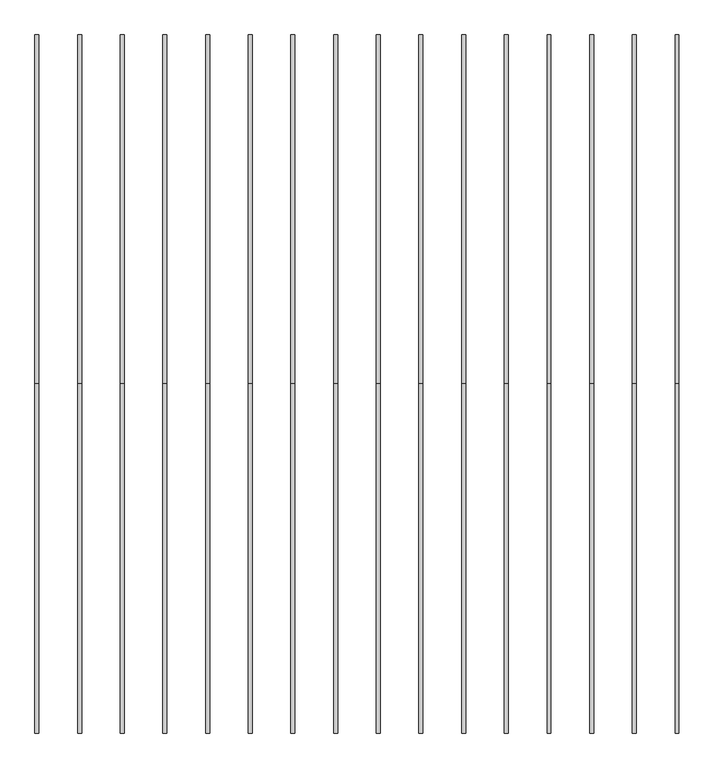
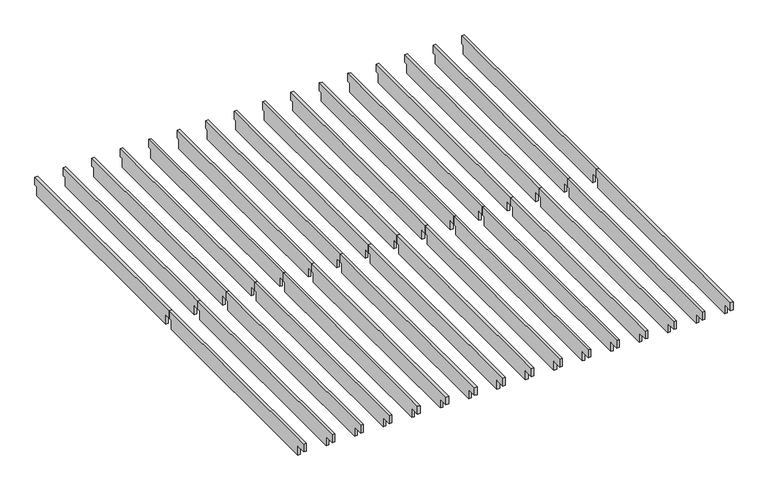
"""IFC4 building model written with IfcOpenShell, lengths in millimetres: furniture geometry."""

import ifcopenshell
import ifcopenshell.guid

model = None  # the IFC model being written
_history = None  # IfcOwnerHistory: only IFC2X3 demands one
_inside = {}  # id of a spatial element -> (the spatial element, [elements in it])
_under = {}  # id of a project, library or spatial element -> (it, [spatial elements below it])
_declared = {}  # id of a project -> (the project, [libraries it declares])
_typed = {}  # id of a type object -> (the type object, [elements of that type])
_made_of = {}  # id of a material, layer set ... -> (it, [elements and type objects made of it])


def new_model(schema):
    """Start an empty IFC model of exactly this schema.

    Asked for "IFC4X3", IfcOpenShell would pick the latest addendum, in which some entities
    have other attributes; the version numbers below select the first issue.
    IFC2X3 requires an IfcOwnerHistory on every rooted entity: one is made here for all.
    """
    global model, _history
    if schema == "IFC4X3":
        model = ifcopenshell.file(schema_version=(4, 3, 0, 0))
    else:
        model = ifcopenshell.file(schema=schema)
    _inside.clear()
    _under.clear()
    _declared.clear()
    _typed.clear()
    _made_of.clear()
    _history = None
    if model.schema == "IFC2X3":
        org = make("IfcOrganization", Name="unknown")
        user = make(
            "IfcPersonAndOrganization",
            ThePerson=make("IfcPerson", FamilyName="unknown"),
            TheOrganization=org,
        )
        app = make(
            "IfcApplication",
            ApplicationDeveloper=org,
            Version="unknown",
            ApplicationFullName="unknown",
            ApplicationIdentifier="unknown",
        )
        _history = make(
            "IfcOwnerHistory",
            OwningUser=user,
            OwningApplication=app,
            ChangeAction="ADDED",
            CreationDate=0,
        )
    return model


def make(cls, **values):
    """One entity of the class cls with the attributes given. An attribute that is None is left unset."""
    return model.create_entity(
        cls, **{name: value for name, value in values.items() if value is not None}
    )


def rooted(cls, **values):
    """An entity with a GlobalId (a new one), such as an element, a storey or a relation."""
    return make(cls, GlobalId=ifcopenshell.guid.new(), OwnerHistory=_history, **values)


def si_unit(unit_type, name, prefix=None):
    """IfcSIUnit, for example si_unit("LENGTHUNIT", "METRE", prefix="MILLI")."""
    return make("IfcSIUnit", UnitType=unit_type, Prefix=prefix, Name=name)


def assignment(units):
    """IfcUnitAssignment: the units of a project."""
    return None if units is None else make("IfcUnitAssignment", Units=units)


def point(xyz):
    """IfcCartesianPoint."""
    return None if xyz is None else make("IfcCartesianPoint", Coordinates=xyz)


def direction(xyz):
    """IfcDirection."""
    return None if xyz is None else make("IfcDirection", DirectionRatios=xyz)


def frame(location, z_axis=None, x_axis=None):
    """IfcAxis2Placement3D, a coordinate frame: its origin and axes. An axis left out is left unset."""
    return make(
        "IfcAxis2Placement3D",
        Location=point(location),
        Axis=direction(z_axis),
        RefDirection=direction(x_axis),
    )


def origin():
    """The frame at (0, 0, 0) with its axes left unset."""
    return frame((0.0, 0.0, 0.0))


def place(relative_to, where):
    """IfcLocalPlacement: puts the frame where relative to a parent placement (None: the world)."""
    return make(
        "IfcLocalPlacement", PlacementRelTo=relative_to, RelativePlacement=where
    )


def context(
    kind, dimensions, precision=None, world=None, true_north=None, identifier=None
):
    """IfcGeometricRepresentationContext, for example the 3D "Model" context."""
    return make(
        "IfcGeometricRepresentationContext",
        ContextIdentifier=identifier,
        ContextType=kind,
        CoordinateSpaceDimension=dimensions,
        Precision=precision,
        WorldCoordinateSystem=world,
        TrueNorth=true_north,
    )


def project(units=None, contexts=None):
    """IfcProject with its units and contexts."""
    return rooted(
        "IfcProject",
        Name="project",
        RepresentationContexts=contexts,
        UnitsInContext=assignment(units),
    )


def spatial(cls, under=None, at=None, **own):
    """A site, building, storey or space (cls), placed at a placement, below another one or the project."""
    s = rooted(cls, ObjectPlacement=at, **own)
    if under is not None:
        _under.setdefault(under.id(), (under, []))[1].append(s)
    return s


def polyline(points):
    """IfcPolyline through the points."""
    return make("IfcPolyline", Points=[point(p) for p in points])


def outline(outer, holes=None, kind="AREA"):
    """IfcArbitraryClosedProfileDef: a profile drawn as a closed curve; with holes, ...WithVoids."""
    if holes is None:
        return make("IfcArbitraryClosedProfileDef", ProfileType=kind, OuterCurve=outer)
    return make(
        "IfcArbitraryProfileDefWithVoids",
        ProfileType=kind,
        OuterCurve=outer,
        InnerCurves=holes,
    )


def extrude(swept, where, along, depth):
    """IfcExtrudedAreaSolid: the profile swept, set in the frame where, extruded along a direction by depth."""
    return make(
        "IfcExtrudedAreaSolid",
        SweptArea=swept,
        Position=where,
        ExtrudedDirection=direction(along),
        Depth=depth,
    )


def shape(context_of_items, identifier, shape_type, items):
    """IfcShapeRepresentation: the items that make up one representation, for example the "Body"."""
    return make(
        "IfcShapeRepresentation",
        ContextOfItems=context_of_items,
        RepresentationIdentifier=identifier,
        RepresentationType=shape_type,
        Items=items,
    )


def source(mapping_origin, context_of_items, identifier, shape_type, items):
    """IfcRepresentationMap: a shape defined once, which mapped items show again and again."""
    return make(
        "IfcRepresentationMap",
        MappingOrigin=mapping_origin,
        MappedRepresentation=shape(context_of_items, identifier, shape_type, items),
    )


def transform(
    local_origin,
    x_axis=None,
    y_axis=None,
    z_axis=None,
    scale=None,
    scale2=None,
    scale3=None,
    uniform=True,
):
    """IfcCartesianTransformationOperator3D, or its non-uniform kind. x_axis, y_axis, z_axis: its Axis1, 2, 3."""
    if uniform:
        return make(
            "IfcCartesianTransformationOperator3D",
            Axis1=direction(x_axis),
            Axis2=direction(y_axis),
            LocalOrigin=point(local_origin),
            Scale=scale,
            Axis3=direction(z_axis),
        )
    return make(
        "IfcCartesianTransformationOperator3DnonUniform",
        Axis1=direction(x_axis),
        Axis2=direction(y_axis),
        LocalOrigin=point(local_origin),
        Scale=scale,
        Axis3=direction(z_axis),
        Scale2=scale2,
        Scale3=scale3,
    )


def mapped(mapping_source, mapping_target):
    """IfcMappedItem: shows the shape of a source again, moved by a transform."""
    return make(
        "IfcMappedItem", MappingSource=mapping_source, MappingTarget=mapping_target
    )


def made_of(thing, what):
    """Note that an element or type object is made of a material, layer set ...; save() writes the relation."""
    if what is not None:
        _made_of.setdefault(what.id(), (what, []))[1].append(thing)
    return thing


def element(
    cls,
    number,
    at=None,
    inside=None,
    cuts=None,
    type_object=None,
    material=None,
    context=None,
    identifier="Body",
    shape_type=None,
    held_by="IfcProductDefinitionShape",
    body=None,
    shapes=None,
    **own,
):
    """One element of the class cls, such as IfcWall. Its Tag is "e" and its number.

    at: its placement. inside: the storey or other place that contains it. cuts: it is an
    opening in that element (IfcRelVoidsElement). A single representation is given by context,
    identifier, shape_type and body (its items); several are given by shapes. held_by: the class
    of the entity that holds the representations. save() writes the other relations.
    """
    e = rooted(cls, Tag="e%d" % number, ObjectPlacement=at, **own)
    if body is not None:
        shapes = [shape(context, identifier, shape_type, body)]
    if shapes is not None:
        e.Representation = make(held_by, Representations=shapes)
    if inside is not None:
        _inside.setdefault(inside.id(), (inside, []))[1].append(e)
    if cuts is not None:
        rooted(
            "IfcRelVoidsElement", RelatingBuildingElement=cuts, RelatedOpeningElement=e
        )
    if type_object is not None:
        _typed.setdefault(type_object.id(), (type_object, []))[1].append(e)
    return made_of(e, material)


def aggregate(whole, parts):
    """IfcRelAggregates: a whole, such as a stair, and the parts it consists of."""
    return rooted("IfcRelAggregates", RelatingObject=whole, RelatedObjects=parts)


def save(model, path):
    """Write the relations noted so far, then the file.

    IfcRelAggregates (storeys below a building ...), IfcRelContainedInSpatialStructure (elements
    in a storey), IfcRelDefinesByType, IfcRelAssociatesMaterial and IfcRelDeclares: one each for
    every whole, place, type object, material and project.
    """
    for whole, parts in _under.values():
        aggregate(whole, parts)
    for where, things in _inside.values():
        rooted(
            "IfcRelContainedInSpatialStructure",
            RelatedElements=things,
            RelatingStructure=where,
        )
    for kind, things in _typed.values():
        rooted("IfcRelDefinesByType", RelatedObjects=things, RelatingType=kind)
    for what, things in _made_of.values():
        rooted("IfcRelAssociatesMaterial", RelatedObjects=things, RelatingMaterial=what)
    for by, libraries in _declared.values():
        rooted("IfcRelDeclares", RelatingContext=by, RelatedDefinitions=libraries)
    model.write(path)


def furniture_0fea4276(model_context):
    return source(origin(), model_context, "Body", "SweptSolid", [
        extrude(outline(polyline([(-2493.2386, 2354.2752), (-2493.2386, 2265.3752), (-2526.2586, 2265.3752), (-2526.2586, 2163.7752), (-4877.6382, 2163.7752), (-4877.6382, 2265.3752), (-4986.4772, 2265.3752), (-4986.4772, 2354.2752), (-2493.2386, 2354.2752)])), frame((4558.0046, 0.0, 0.0), z_axis=(1.0, 0.0, 0.0), x_axis=(0.0, 1.0, 0.0)), (0.0, 0.0, 1.0), 27.9908),
        extrude(outline(polyline([(-2493.2386, 2354.2752), (0.0, 2354.2752), (0.0, 2265.3752), (-33.02, 2265.3752), (-33.02, 2163.7752), (-2430.1196, 2163.7752), (-2430.1196, 2265.3752), (-2493.2386, 2265.3752), (-2493.2386, 2354.2752)])), frame((4558.0046, 0.0, 0.0), z_axis=(1.0, 0.0, 0.0), x_axis=(0.0, 1.0, 0.0)), (0.0, 0.0, 1.0), 27.9908),
        extrude(outline(polyline([(-2493.2386, 2354.2752), (-2493.2386, 2265.3752), (-2526.2586, 2265.3752), (-2526.2586, 2163.7752), (-4877.6382, 2163.7752), (-4877.6382, 2265.3752), (-4986.4772, 2265.3752), (-4986.4772, 2354.2752), (-2493.2386, 2354.2752)])), frame((4253.2046, 0.0, 0.0), z_axis=(1.0, 0.0, 0.0), x_axis=(0.0, 1.0, 0.0)), (0.0, 0.0, 1.0), 27.9908),
        extrude(outline(polyline([(-2493.2386, 2354.2752), (0.0, 2354.2752), (0.0, 2265.3752), (-33.02, 2265.3752), (-33.02, 2163.7752), (-2430.1196, 2163.7752), (-2430.1196, 2265.3752), (-2493.2386, 2265.3752), (-2493.2386, 2354.2752)])), frame((4253.2046, 0.0, 0.0), z_axis=(1.0, 0.0, 0.0), x_axis=(0.0, 1.0, 0.0)), (0.0, 0.0, 1.0), 27.9908),
        extrude(outline(polyline([(-2493.2386, 2354.2752), (-2493.2386, 2265.3752), (-2526.2586, 2265.3752), (-2526.2586, 2163.7752), (-4877.6382, 2163.7752), (-4877.6382, 2265.3752), (-4986.4772, 2265.3752), (-4986.4772, 2354.2752), (-2493.2386, 2354.2752)])), frame((3948.4046, 0.0, 0.0), z_axis=(1.0, 0.0, 0.0), x_axis=(0.0, 1.0, 0.0)), (0.0, 0.0, 1.0), 27.9908),
        extrude(outline(polyline([(-2493.2386, 2354.2752), (0.0, 2354.2752), (0.0, 2265.3752), (-33.02, 2265.3752), (-33.02, 2163.7752), (-2430.1196, 2163.7752), (-2430.1196, 2265.3752), (-2493.2386, 2265.3752), (-2493.2386, 2354.2752)])), frame((3948.4046, 0.0, 0.0), z_axis=(1.0, 0.0, 0.0), x_axis=(0.0, 1.0, 0.0)), (0.0, 0.0, 1.0), 27.9908),
        extrude(outline(polyline([(-2493.2386, 2354.2752), (-2493.2386, 2265.3752), (-2526.2586, 2265.3752), (-2526.2586, 2163.7752), (-4877.6382, 2163.7752), (-4877.6382, 2265.3752), (-4986.4772, 2265.3752), (-4986.4772, 2354.2752), (-2493.2386, 2354.2752)])), frame((3643.6046, 0.0, 0.0), z_axis=(1.0, 0.0, 0.0), x_axis=(0.0, 1.0, 0.0)), (0.0, 0.0, 1.0), 27.9908),
        extrude(outline(polyline([(-2493.2386, 2354.2752), (0.0, 2354.2752), (0.0, 2265.3752), (-33.02, 2265.3752), (-33.02, 2163.7752), (-2430.1196, 2163.7752), (-2430.1196, 2265.3752), (-2493.2386, 2265.3752), (-2493.2386, 2354.2752)])), frame((3643.6046, 0.0, 0.0), z_axis=(1.0, 0.0, 0.0), x_axis=(0.0, 1.0, 0.0)), (0.0, 0.0, 1.0), 27.9908),
        extrude(outline(polyline([(-2493.2386, 2354.2752), (-2493.2386, 2265.3752), (-2526.2586, 2265.3752), (-2526.2586, 2163.7752), (-4877.6382, 2163.7752), (-4877.6382, 2265.3752), (-4986.4772, 2265.3752), (-4986.4772, 2354.2752), (-2493.2386, 2354.2752)])), frame((3338.8046, 0.0, 0.0), z_axis=(1.0, 0.0, 0.0), x_axis=(0.0, 1.0, 0.0)), (0.0, 0.0, 1.0), 27.9908),
        extrude(outline(polyline([(-2493.2386, 2354.2752), (0.0, 2354.2752), (0.0, 2265.3752), (-33.02, 2265.3752), (-33.02, 2163.7752), (-2430.1196, 2163.7752), (-2430.1196, 2265.3752), (-2493.2386, 2265.3752), (-2493.2386, 2354.2752)])), frame((3338.8046, 0.0, 0.0), z_axis=(1.0, 0.0, 0.0), x_axis=(0.0, 1.0, 0.0)), (0.0, 0.0, 1.0), 27.9908),
        extrude(outline(polyline([(-2493.2386, 2354.2752), (-2493.2386, 2265.3752), (-2526.2586, 2265.3752), (-2526.2586, 2163.7752), (-4877.6382, 2163.7752), (-4877.6382, 2265.3752), (-4986.4772, 2265.3752), (-4986.4772, 2354.2752), (-2493.2386, 2354.2752)])), frame((3034.0046, 0.0, 0.0), z_axis=(1.0, 0.0, 0.0), x_axis=(0.0, 1.0, 0.0)), (0.0, 0.0, 1.0), 27.9908),
        extrude(outline(polyline([(-2493.2386, 2354.2752), (0.0, 2354.2752), (0.0, 2265.3752), (-33.02, 2265.3752), (-33.02, 2163.7752), (-2430.1196, 2163.7752), (-2430.1196, 2265.3752), (-2493.2386, 2265.3752), (-2493.2386, 2354.2752)])), frame((3034.0046, 0.0, 0.0), z_axis=(1.0, 0.0, 0.0), x_axis=(0.0, 1.0, 0.0)), (0.0, 0.0, 1.0), 27.9908),
        extrude(outline(polyline([(-2493.2386, 2354.2752), (-2493.2386, 2265.3752), (-2526.2586, 2265.3752), (-2526.2586, 2163.7752), (-4877.6382, 2163.7752), (-4877.6382, 2265.3752), (-4986.4772, 2265.3752), (-4986.4772, 2354.2752), (-2493.2386, 2354.2752)])), frame((2729.2046, 0.0, 0.0), z_axis=(1.0, 0.0, 0.0), x_axis=(0.0, 1.0, 0.0)), (0.0, 0.0, 1.0), 27.9908),
        extrude(outline(polyline([(-2493.2386, 2354.2752), (0.0, 2354.2752), (0.0, 2265.3752), (-33.02, 2265.3752), (-33.02, 2163.7752), (-2430.1196, 2163.7752), (-2430.1196, 2265.3752), (-2493.2386, 2265.3752), (-2493.2386, 2354.2752)])), frame((2729.2046, 0.0, 0.0), z_axis=(1.0, 0.0, 0.0), x_axis=(0.0, 1.0, 0.0)), (0.0, 0.0, 1.0), 27.9908),
        extrude(outline(polyline([(-2493.2386, 2354.2752), (-2493.2386, 2265.3752), (-2526.2586, 2265.3752), (-2526.2586, 2163.7752), (-4877.6382, 2163.7752), (-4877.6382, 2265.3752), (-4986.4772, 2265.3752), (-4986.4772, 2354.2752), (-2493.2386, 2354.2752)])), frame((2424.4046, 0.0, 0.0), z_axis=(1.0, 0.0, 0.0), x_axis=(0.0, 1.0, 0.0)), (0.0, 0.0, 1.0), 27.9908),
        extrude(outline(polyline([(-2493.2386, 2354.2752), (0.0, 2354.2752), (0.0, 2265.3752), (-33.02, 2265.3752), (-33.02, 2163.7752), (-2430.1196, 2163.7752), (-2430.1196, 2265.3752), (-2493.2386, 2265.3752), (-2493.2386, 2354.2752)])), frame((2424.4046, 0.0, 0.0), z_axis=(1.0, 0.0, 0.0), x_axis=(0.0, 1.0, 0.0)), (0.0, 0.0, 1.0), 27.9908),
        extrude(outline(polyline([(-2493.2386, 2354.2752), (-2493.2386, 2265.3752), (-2526.2586, 2265.3752), (-2526.2586, 2163.7752), (-4877.6382, 2163.7752), (-4877.6382, 2265.3752), (-4986.4772, 2265.3752), (-4986.4772, 2354.2752), (-2493.2386, 2354.2752)])), frame((2119.6046, 0.0, 0.0), z_axis=(1.0, 0.0, 0.0), x_axis=(0.0, 1.0, 0.0)), (0.0, 0.0, 1.0), 27.9908),
        extrude(outline(polyline([(-2493.2386, 2354.2752), (0.0, 2354.2752), (0.0, 2265.3752), (-33.02, 2265.3752), (-33.02, 2163.7752), (-2430.1196, 2163.7752), (-2430.1196, 2265.3752), (-2493.2386, 2265.3752), (-2493.2386, 2354.2752)])), frame((2119.6046, 0.0, 0.0), z_axis=(1.0, 0.0, 0.0), x_axis=(0.0, 1.0, 0.0)), (0.0, 0.0, 1.0), 27.9908),
        extrude(outline(polyline([(-2493.2386, 2354.2752), (-2493.2386, 2265.3752), (-2526.2586, 2265.3752), (-2526.2586, 2163.7752), (-4877.6382, 2163.7752), (-4877.6382, 2265.3752), (-4986.4772, 2265.3752), (-4986.4772, 2354.2752), (-2493.2386, 2354.2752)])), frame((1814.8046, 0.0, 0.0), z_axis=(1.0, 0.0, 0.0), x_axis=(0.0, 1.0, 0.0)), (0.0, 0.0, 1.0), 27.9908),
        extrude(outline(polyline([(-2493.2386, 2354.2752), (0.0, 2354.2752), (0.0, 2265.3752), (-33.02, 2265.3752), (-33.02, 2163.7752), (-2430.1196, 2163.7752), (-2430.1196, 2265.3752), (-2493.2386, 2265.3752), (-2493.2386, 2354.2752)])), frame((1814.8046, 0.0, 0.0), z_axis=(1.0, 0.0, 0.0), x_axis=(0.0, 1.0, 0.0)), (0.0, 0.0, 1.0), 27.9908),
        extrude(outline(polyline([(-2493.2386, 2354.2752), (-2493.2386, 2265.3752), (-2526.2586, 2265.3752), (-2526.2586, 2163.7752), (-4877.6382, 2163.7752), (-4877.6382, 2265.3752), (-4986.4772, 2265.3752), (-4986.4772, 2354.2752), (-2493.2386, 2354.2752)])), frame((1510.0046, 0.0, 0.0), z_axis=(1.0, 0.0, 0.0), x_axis=(0.0, 1.0, 0.0)), (0.0, 0.0, 1.0), 27.9908),
        extrude(outline(polyline([(-2493.2386, 2354.2752), (0.0, 2354.2752), (0.0, 2265.3752), (-33.02, 2265.3752), (-33.02, 2163.7752), (-2430.1196, 2163.7752), (-2430.1196, 2265.3752), (-2493.2386, 2265.3752), (-2493.2386, 2354.2752)])), frame((1510.0046, 0.0, 0.0), z_axis=(1.0, 0.0, 0.0), x_axis=(0.0, 1.0, 0.0)), (0.0, 0.0, 1.0), 27.9908),
        extrude(outline(polyline([(-2493.2386, 2354.2752), (-2493.2386, 2265.3752), (-2526.2586, 2265.3752), (-2526.2586, 2163.7752), (-4877.6382, 2163.7752), (-4877.6382, 2265.3752), (-4986.4772, 2265.3752), (-4986.4772, 2354.2752), (-2493.2386, 2354.2752)])), frame((1205.2046, 0.0, 0.0), z_axis=(1.0, 0.0, 0.0), x_axis=(0.0, 1.0, 0.0)), (0.0, 0.0, 1.0), 27.9908),
        extrude(outline(polyline([(-2493.2386, 2354.2752), (0.0, 2354.2752), (0.0, 2265.3752), (-33.02, 2265.3752), (-33.02, 2163.7752), (-2430.1196, 2163.7752), (-2430.1196, 2265.3752), (-2493.2386, 2265.3752), (-2493.2386, 2354.2752)])), frame((1205.2046, 0.0, 0.0), z_axis=(1.0, 0.0, 0.0), x_axis=(0.0, 1.0, 0.0)), (0.0, 0.0, 1.0), 27.9908),
        extrude(outline(polyline([(-2493.2386, 2354.2752), (-2493.2386, 2265.3752), (-2526.2586, 2265.3752), (-2526.2586, 2163.7752), (-4877.6382, 2163.7752), (-4877.6382, 2265.3752), (-4986.4772, 2265.3752), (-4986.4772, 2354.2752), (-2493.2386, 2354.2752)])), frame((900.4046, 0.0, 0.0), z_axis=(1.0, 0.0, 0.0), x_axis=(0.0, 1.0, 0.0)), (0.0, 0.0, 1.0), 27.9908),
        extrude(outline(polyline([(-2493.2386, 2354.2752), (0.0, 2354.2752), (0.0, 2265.3752), (-33.02, 2265.3752), (-33.02, 2163.7752), (-2430.1196, 2163.7752), (-2430.1196, 2265.3752), (-2493.2386, 2265.3752), (-2493.2386, 2354.2752)])), frame((900.4046, 0.0, 0.0), z_axis=(1.0, 0.0, 0.0), x_axis=(0.0, 1.0, 0.0)), (0.0, 0.0, 1.0), 27.9908),
        extrude(outline(polyline([(-2493.2386, 2354.2752), (-2493.2386, 2265.3752), (-2526.2586, 2265.3752), (-2526.2586, 2163.7752), (-4877.6382, 2163.7752), (-4877.6382, 2265.3752), (-4986.4772, 2265.3752), (-4986.4772, 2354.2752), (-2493.2386, 2354.2752)])), frame((595.6046, 0.0, 0.0), z_axis=(1.0, 0.0, 0.0), x_axis=(0.0, 1.0, 0.0)), (0.0, 0.0, 1.0), 27.9908),
        extrude(outline(polyline([(-2493.2386, 2354.2752), (0.0, 2354.2752), (0.0, 2265.3752), (-33.02, 2265.3752), (-33.02, 2163.7752), (-2430.1196, 2163.7752), (-2430.1196, 2265.3752), (-2493.2386, 2265.3752), (-2493.2386, 2354.2752)])), frame((595.6046, 0.0, 0.0), z_axis=(1.0, 0.0, 0.0), x_axis=(0.0, 1.0, 0.0)), (0.0, 0.0, 1.0), 27.9908),
        extrude(outline(polyline([(-2493.2386, 2354.2752), (-2493.2386, 2265.3752), (-2526.2586, 2265.3752), (-2526.2586, 2163.7752), (-4877.6382, 2163.7752), (-4877.6382, 2265.3752), (-4986.4772, 2265.3752), (-4986.4772, 2354.2752), (-2493.2386, 2354.2752)])), frame((290.8046, 0.0, 0.0), z_axis=(1.0, 0.0, 0.0), x_axis=(0.0, 1.0, 0.0)), (0.0, 0.0, 1.0), 27.9908),
        extrude(outline(polyline([(-2493.2386, 2354.2752), (0.0, 2354.2752), (0.0, 2265.3752), (-33.02, 2265.3752), (-33.02, 2163.7752), (-2430.1196, 2163.7752), (-2430.1196, 2265.3752), (-2493.2386, 2265.3752), (-2493.2386, 2354.2752)])), frame((290.8046, 0.0, 0.0), z_axis=(1.0, 0.0, 0.0), x_axis=(0.0, 1.0, 0.0)), (0.0, 0.0, 1.0), 27.9908),
        extrude(outline(polyline([(-2493.2386, 2354.2752), (-2493.2386, 2265.3752), (-2526.2586, 2265.3752), (-2526.2586, 2163.7752), (-4877.6382, 2163.7752), (-4877.6382, 2265.3752), (-4986.4772, 2265.3752), (-4986.4772, 2354.2752), (-2493.2386, 2354.2752)])), frame((-13.9954, 0.0, 0.0), z_axis=(1.0, 0.0, 0.0), x_axis=(0.0, 1.0, 0.0)), (0.0, 0.0, 1.0), 27.9908),
        extrude(outline(polyline([(-2493.2386, 2354.2752), (0.0, 2354.2752), (0.0, 2265.3752), (-33.02, 2265.3752), (-33.02, 2163.7752), (-2430.1196, 2163.7752), (-2430.1196, 2265.3752), (-2493.2386, 2265.3752), (-2493.2386, 2354.2752)])), frame((-13.9954, 0.0, 0.0), z_axis=(1.0, 0.0, 0.0), x_axis=(0.0, 1.0, 0.0)), (0.0, 0.0, 1.0), 27.9908),
    ])


if __name__ == "__main__":
    model = new_model("IFC4")
    model_context = context("Model", 3, world=origin())
    ifc_project = project(units=[si_unit("LENGTHUNIT", "METRE", prefix="MILLI")], contexts=[model_context])
    site = spatial("IfcSite", under=ifc_project)
    building = spatial("IfcBuilding", under=site)
    placement = place(None, origin())
    furniture_shape = furniture_0fea4276(model_context)
    element("IfcFurniture", 1, at=placement, inside=building, context=model_context, shape_type="MappedRepresentation", body=[
        mapped(furniture_shape, transform((0.0, 0.0, 0.0), x_axis=(1.0, 0.0, 0.0), y_axis=(0.0, 1.0, 0.0), z_axis=(0.0, 0.0, 1.0))),
    ])
    save(model, "model.ifc")
